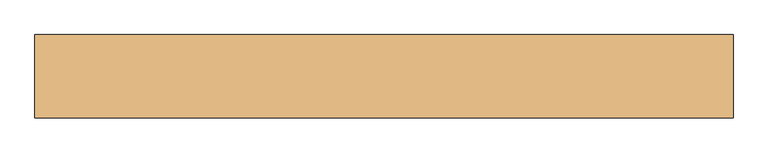
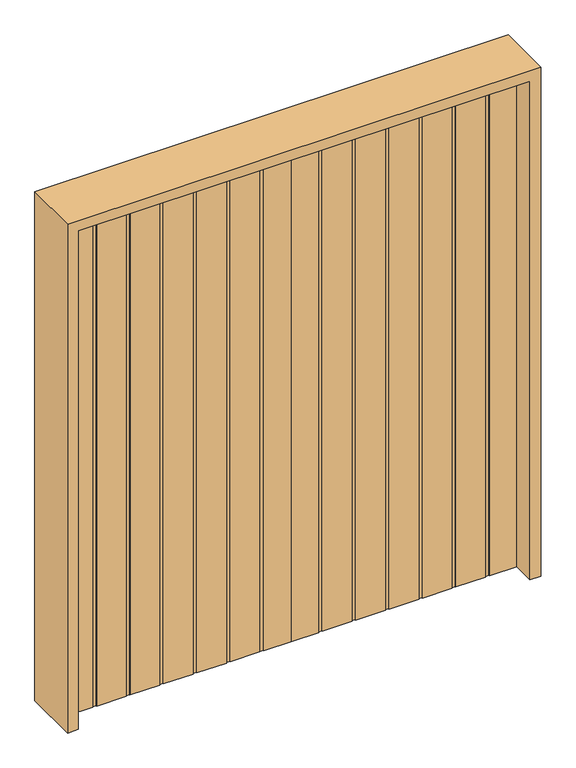
"""IFC4 building model written with IfcOpenShell, lengths in millimetres: door geometry."""

from ifc_helpers import new_model, si_unit, frame, origin, origin_with_axes, place, context, project, spatial, polyline, outline, extrude, source, transform, mapped, element, save


def door_6e479f0b(model_context):
    return source(origin(), model_context, "Body", "SweptSolid", [
        extrude(outline(polyline([(0.0, 22.225), (0.0, -22.225), (-111.2242188, -22.225), (-111.2242188, -19.05), (-126.5039063, -19.05), (-126.5039063, -22.225), (-246.5585938, -22.225), (-246.5585938, -19.05), (-261.8382813, -19.05), (-261.8382813, -22.225), (-381.8929688, -22.225), (-381.8929688, -19.05), (-397.1726563, -19.05), (-397.1726563, -22.225), (-517.2273438, -22.225), (-517.2273438, -19.05), (-532.5070313, -19.05), (-532.5070313, -22.225), (-652.5617188, -22.225), (-652.5617188, -19.05), (-667.8414063, -19.05), (-667.8414063, -22.225), (-787.8960938, -22.225), (-787.8960938, -19.05), (-803.1757813, -19.05), (-803.1757813, -22.225), (-914.4, -22.225), (-914.4, 22.225), (-803.1757813, 22.225), (-803.1757813, 19.05), (-787.8960938, 19.05), (-787.8960938, 22.225), (-667.8414063, 22.225), (-667.8414063, 19.05), (-652.5617188, 19.05), (-652.5617188, 22.225), (-532.5070313, 22.225), (-532.5070313, 19.05), (-517.2273438, 19.05), (-517.2273438, 22.225), (-397.1726563, 22.225), (-397.1726563, 19.05), (-381.8929688, 19.05), (-381.8929688, 22.225), (-261.8382813, 22.225), (-261.8382813, 19.05), (-246.5585938, 19.05), (-246.5585938, 22.225), (-126.5039063, 22.225), (-126.5039063, 19.05), (-111.2242188, 19.05), (-111.2242188, 22.225), (0.0, 22.225)])), origin_with_axes(), (0.0, 0.0, 1.0), 2133.6),
        extrude(outline(polyline([(0.0, 22.225), (111.2242187, 22.225), (111.2242187, 19.05), (126.5039062, 19.05), (126.5039062, 22.225), (246.5585937, 22.225), (246.5585937, 19.05), (261.8382812, 19.05), (261.8382812, 22.225), (381.8929687, 22.225), (381.8929687, 19.05), (397.1726562, 19.05), (397.1726562, 22.225), (517.2273437, 22.225), (517.2273437, 19.05), (532.5070312, 19.05), (532.5070312, 22.225), (652.5617187, 22.225), (652.5617187, 19.05), (667.8414062, 19.05), (667.8414062, 22.225), (787.8960937, 22.225), (787.8960937, 19.05), (803.1757812, 19.05), (803.1757812, 22.225), (914.4, 22.225), (914.4, -22.225), (803.1757812, -22.225), (803.1757812, -19.05), (787.8960937, -19.05), (787.8960937, -22.225), (667.8414062, -22.225), (667.8414062, -19.05), (652.5617187, -19.05), (652.5617187, -22.225), (532.5070312, -22.225), (532.5070312, -19.05), (517.2273437, -19.05), (517.2273437, -22.225), (397.1726562, -22.225), (397.1726562, -19.05), (381.8929687, -19.05), (381.8929687, -22.225), (261.8382812, -22.225), (261.8382812, -19.05), (246.5585937, -19.05), (246.5585937, -22.225), (126.5039062, -22.225), (126.5039062, -19.05), (111.2242187, -19.05), (111.2242187, -22.225), (0.0, -22.225), (0.0, 22.225)])), origin_with_axes(), (0.0, 0.0, 1.0), 2133.6),
        extrude(outline(polyline([(0.0, -958.85), (0.0, -914.4), (2133.6, -914.4), (2133.6, 914.4), (0.0, 914.4), (0.0, 958.85), (2178.05, 958.85), (2178.05, -958.85), (0.0, -958.85)])), frame((0.0, -114.3, 0.0), z_axis=(0.0, 1.0, 0.0), x_axis=(0.0, 0.0, 1.0)), (0.0, 0.0, 1.0), 228.6),
    ])


if __name__ == "__main__":
    model = new_model("IFC4")
    model_context = context("Model", 3, world=origin())
    ifc_project = project(units=[si_unit("LENGTHUNIT", "METRE", prefix="MILLI")], contexts=[model_context])
    site = spatial("IfcSite", under=ifc_project)
    building = spatial("IfcBuilding", under=site)
    placement = place(None, origin())
    door_shape = door_6e479f0b(model_context)
    element("IfcDoor", 1, at=placement, inside=building, context=model_context, shape_type="MappedRepresentation", body=[
        mapped(door_shape, transform((0.0, 0.0, 0.0), x_axis=(1.0, 0.0, 0.0), y_axis=(0.0, 1.0, 0.0), z_axis=(0.0, 0.0, 1.0))),
    ])
    save(model, "model.ifc")
